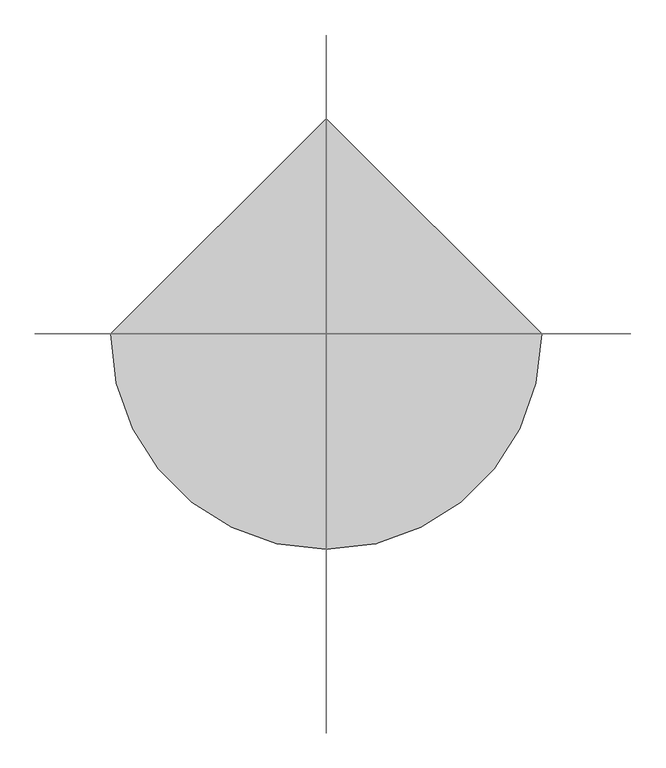
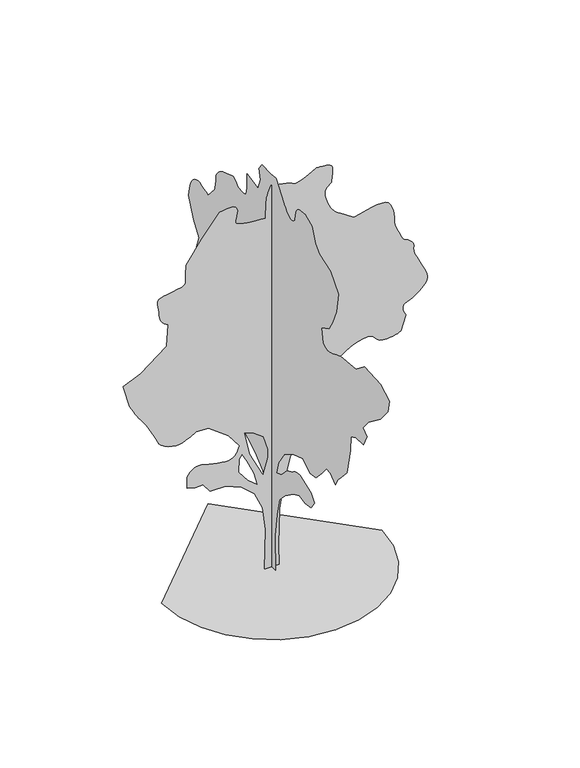
"""IFC4 building model written with IfcOpenShell, lengths in millimetres: geographic element geometry."""

from ifc_helpers import new_model, si_unit, origin, place, context, project, spatial, triangles, source, transform, mapped, element, save


def geographic_element_7aaeb41d(model_context):
    return source(origin(), model_context, "Body", "Tessellation", [
        triangles([(-0.0027587, 74.5725603, 0.00586), (-0.0027587, -72.0943095, 0.00586), (-0.0027587, -58.7610481, 393.3378007), (-0.0027587, -98.7608322, 653.338028), (-0.0027587, -145.4276149, 853.3381748), (-0.0027587, -252.0952047, 966.670792), (-0.0027587, -412.0928332, 1080.00588), (-0.0027587, -518.7604139, 1126.6709095), (-0.0027587, -625.428031, 1106.6708948), (-0.0027587, -738.7605755, 1126.6709095), (-0.0027587, -798.7606195, 1213.3385118), (-0.0027587, -738.7605755, 1293.3384979), (-0.0027587, -525.4279212, 1366.6710857), (-0.0027587, -506.885412, 1365.1761189), (-0.0027587, -488.5178922, 1363.2711479), (-0.0027587, -470.5003873, 1360.5486397), (-0.0027587, -453.0078504, 1356.6035316), (-0.0027587, -436.2153434, 1351.0261105), (-0.0027587, -420.2953485, 1343.4060814), (-0.0027587, -405.4278331, 1333.3385273), (-0.0027587, -390.5578105, 1322.4935497), (-0.0027587, -374.6402864, 1312.6960373), (-0.0027587, -357.8477795, 1303.7760876), (-0.0027587, -340.3552789, 1295.553479), (-0.0027587, -322.337774, 1287.8585999), (-0.0027587, -303.9702541, 1280.5110832), (-0.0027587, -285.4277268, 1273.3385559), (-0.0027587, -185.427399, 1166.6709389), (-0.0027587, -85.4275708, 1126.6709095), (-0.0027587, -125.4276002, 1266.671085), (-0.0027587, -238.7606988, 1433.3386734), (-0.0027587, -398.7603258, 1533.3386742), (-0.0027587, -585.4279653, 1593.3387909), (-0.0027587, -718.7605608, 1506.6712612), (-0.0027587, -825.4281778, 1520.0062031), (-0.0027587, -938.7607224, 1640.0038204), (-0.0027587, -1025.4283247, 1746.6714375), (-0.0027587, -1105.4259127, 1740.0039665), (-0.0027587, -1192.0934423, 1660.0063786), (-0.0027587, -1245.4260155, 1753.3389084), (-0.0027587, -1305.4259869, 1820.0040253), (-0.0027587, -1412.0936039, 1933.3391132), (-0.0027587, -1478.7587208, 2233.3392609), (-0.0027587, -1485.4261917, 2393.3393784), (-0.0027587, -1578.7613377, 2433.336937), (-0.0027587, -1725.426368, 2446.6718788), (-0.0027587, -1785.4264847, 2573.3269386), (-0.0027587, -1712.0938969, 2633.3270554), (-0.0027587, -1812.0938976, 2753.3272888), (-0.0027587, -2038.759132, 2926.6774635), (-0.0027587, -2185.4267784, 3100.0026398), (-0.0027587, -2212.0917206, 3240.0025246), (-0.0027587, -2045.4266029, 3333.3276421), (-0.0027587, -1738.758839, 3346.6776993), (-0.0027587, -1585.4263378, 3226.6774658), (-0.0027587, -1292.0935158, 3193.3274666), (-0.0027587, -1252.2485641, 3177.7025482), (-0.0027587, -1213.3385118, 3162.6025978), (-0.0027587, -1176.2909185, 3148.5525833), (-0.0027587, -1142.0459158, 3136.0774727), (-0.0027587, -1111.5309179, 3125.7025246), (-0.0027587, -1085.6808969, 3117.9524162), (-0.0027587, -1065.4258833, 3113.3274078), (-0.0027587, -1047.2933418, 3113.0774231), (-0.0027587, -1028.108321, 3117.0274727), (-0.0027587, -1009.2758223, 3123.6526497), (-0.0027587, -992.1908186, 3131.4524643), (-0.0027587, -978.255768, 3138.9025909), (-0.0027587, -968.8682596, 3144.4775414), (-0.0027587, -965.4258099, 3146.6774071), (-0.0027587, -932.0932514, 3306.6778152), (-0.0027587, -1072.0933542, 3380.0027), (-0.0027587, -1138.7609419, 3486.6778748), (-0.0027587, -1212.093457, 3660.003051), (-0.0027587, -1252.0934864, 3880.0029945), (-0.0027587, -1098.7609125, 4053.3281708), (-0.0027587, -898.760693, 4126.6783447), (-0.0027587, -818.7606342, 4200.0035202), (-0.0027587, -758.7605902, 4360.0036377), (-0.0027587, -618.7604874, 4413.3285805), (-0.0027587, -595.9604982, 4413.2285866), (-0.0027587, -573.5129585, 4412.5536278), (-0.0027587, -551.7629416, 4410.70345), (-0.0027587, -531.0629333, 4407.1286682), (-0.0027587, -511.7629123, 4401.17845), (-0.0027587, -494.2128934, 4392.3534073), (-0.0027587, -478.7603846, 4380.0035797), (-0.0027587, -466.2228868, 4364.5536507), (-0.0027587, -456.8353784, 4347.0035591), (-0.0027587, -450.0728551, 4327.7035744), (-0.0027587, -445.4078419, 4307.0033844), (-0.0027587, -442.3178415, 4285.2535492), (-0.0027587, -440.2753427, 4262.803466), (-0.0027587, -438.7603552, 4240.0034042), (-0.0027587, -427.2553525, 4227.3033073), (-0.0027587, -415.2803204, 4215.6034401), (-0.0027587, -402.3753304, 4205.9034508), (-0.0027587, -388.070317, 4199.1532814), (-0.0027587, -371.9003011, 4196.3784508), (-0.0027587, -353.3952896, 4198.553318), (-0.0027587, -332.0927745, 4206.6784035), (-0.0027587, -310.9852693, 4218.4782646), (-0.0027587, -293.0277353, 4231.0033722), (-0.0027587, -277.6927156, 4244.1034447), (-0.0027587, -264.4552061, 4257.6784882), (-0.0027587, -252.7927094, 4271.5785118), (-0.0027587, -242.1814384, 4285.7285202), (-0.0027587, -232.0939364, 4300.003521), (-0.0027587, -138.7608616, 4426.6786377), (-0.0027587, -78.7608175, 4500.0035225), (-0.0027587, 21.2393172, 4493.3286392), (-0.0027587, 181.2391554, 4500.0035225), (-0.0027587, 241.2389451, 4420.0034637), (-0.0027587, 214.5724224, 4306.6784042), (-0.0027587, 261.2402133, 4180.0032875), (-0.0027587, 467.9053785, 4220.0034622), (-0.0027587, 467.9053785, 4073.3284035), (-0.0027587, 469.4403866, 4050.6283356), (-0.0027587, 471.6178699, 4028.7032204), (-0.0027587, 475.0778695, 4008.4282951), (-0.0027587, 480.4628969, 3990.6282188), (-0.0027587, 488.4103769, 3976.0532364), (-0.0027587, 499.5679081, 3965.5782944), (-0.0027587, 514.5729152, 3960.0030533), (-0.0027587, 531.7154371, 3957.9281799), (-0.0027587, 548.8579591, 3957.2532211), (-0.0027587, 566.0004447, 3957.7281921), (-0.0027587, 583.1429667, 3959.1531052), (-0.0027587, 600.2854886, 3961.2782661), (-0.0027587, 617.4304813, 3963.853109), (-0.0027587, 634.5730396, 3966.6782272), (-0.0027587, 650.2955538, 3982.2281502), (-0.0027587, 666.0780207, 3996.928125), (-0.0027587, 681.9780676, 4009.8782066), (-0.0027587, 698.0505604, 4020.2031578), (-0.0027587, 714.3580679, 4027.0283226), (-0.0027587, 730.9580721, 4029.4781731), (-0.0027587, 747.9055841, 4026.678344), (-0.0027587, 927.9057163, 3966.6782272), (-0.0027587, 953.4457998, 3949.4781143), (-0.0027587, 977.9358021, 3931.9283134), (-0.0027587, 1000.3257872, 3913.6782646), (-0.0027587, 1019.5682899, 3894.3782799), (-0.0027587, 1034.6108311, 3873.6780899), (-0.0027587, 1044.4058727, 3851.2280067), (-0.0027587, 1047.9058771, 3826.6780518), (-0.0027587, 1048.6833733, 3801.5281334), (-0.0027587, 1050.8608566, 3777.4531494), (-0.0027587, 1054.2033852, 3754.253112), (-0.0027587, 1058.4783422, 3731.7530319), (-0.0027587, 1063.4533293, 3709.7529213), (-0.0027587, 1068.895875, 3688.1280785), (-0.0027587, 1074.570892, 3666.6779343), (-0.0027587, 1201.238451, 3526.6777588), (-0.0027587, 1239.7609543, 3543.5528915), (-0.0027587, 1277.9935043, 3558.9278252), (-0.0027587, 1315.641061, 3571.2779434), (-0.0027587, 1352.4135258, 3579.077758), (-0.0027587, 1388.0210907, 3580.8029434), (-0.0027587, 1422.1711864, 3574.9530098), (-0.0027587, 1454.5712437, 3560.0027596), (-0.0027587, 1482.6961258, 3536.9027161), (-0.0027587, 1504.8736965, 3508.1777252), (-0.0027587, 1522.093721, 3474.8027275), (-0.0027587, 1535.3487259, 3437.7026665), (-0.0027587, 1545.6312378, 3397.8027763), (-0.0027587, 1553.9313126, 3356.02771), (-0.0027587, 1561.2387154, 3313.3277), (-0.0027587, 1474.5711857, 3086.677581), (-0.0027587, 1367.9060394, 2940.0022316), (-0.0027587, 1454.5712437, 2700.0020554), (-0.0027587, 1374.5710396, 2573.3269386), (-0.0027587, 1341.9185268, 2561.8270592), (-0.0027587, 1310.4910847, 2549.851918), (-0.0027587, 1281.5110222, 2536.952124), (-0.0027587, 1256.2035553, 2522.6521248), (-0.0027587, 1235.7959347, 2506.4769493), (-0.0027587, 1221.5110508, 2487.9745903), (-0.0027587, 1214.5709948, 2466.6721115), (-0.0027587, 1212.2984591, 2444.0095413), (-0.0027587, 1211.0734612, 2421.694479), (-0.0027587, 1210.7234825, 2399.6744568), (-0.0027587, 1211.0734612, 2377.8869785), (-0.0027587, 1211.9484804, 2356.2718735), (-0.0027587, 1213.1734783, 2334.7768192), (-0.0027587, 1214.5709948, 2313.3368488), (-0.0027587, 1187.9059799, 2206.6718479), (-0.0027587, 1001.2383041, 2226.6717899), (-0.0027587, 985.728277, 2195.3792233), (-0.0027587, 971.4433205, 2164.9017231), (-0.0027587, 959.6057436, 2136.0592976), (-0.0027587, 951.4432331, 2109.6642517), (-0.0027587, 948.1782434, 2086.536739), (-0.0027587, 951.0357725, 2067.486739), (-0.0027587, 961.2382748, 2053.3392014), (-0.0027587, 977.7782536, 2041.5992203), (-0.0027587, 998.0507807, 2029.6266953), (-0.0027587, 1020.8883402, 2018.0041489), (-0.0027587, 1045.1258142, 2007.3141037), (-0.0027587, 1069.5958323, 1998.1390823), (-0.0027587, 1093.133349, 1991.0640781), (-0.0027587, 1114.5709213, 1986.6716137), (-0.0027587, 1133.9884134, 1982.8416149), (-0.0027587, 1152.3558969, 1977.2640484), (-0.0027587, 1169.8484339, 1970.229158), (-0.0027587, 1186.6409409, 1962.0266064), (-0.0027587, 1202.9109507, 1952.9491081), (-0.0027587, 1218.828511, 1943.2890873), (-0.0027587, 1234.5710094, 1933.3391132), (-0.0027587, 1387.9061268, 2013.339172), (-0.0027587, 1431.9861397, 2024.5916828), (-0.0027587, 1474.8436981, 2034.7965832), (-0.0027587, 1515.2512608, 2042.9016117), (-0.0027587, 1551.9862278, 2047.8566872), (-0.0027587, 1583.8238194, 2048.6141991), (-0.0027587, 1609.5388195, 2044.1266823), (-0.0027587, 1627.9038322, 2033.339114), (-0.0027587, 1640.0538174, 2017.6916679), (-0.0027587, 1648.351276, 1999.5965515), (-0.0027587, 1653.4438431, 1979.4615887), (-0.0027587, 1655.9713051, 1957.6915512), (-0.0027587, 1656.5738846, 1934.6990593), (-0.0027587, 1655.8938389, 1910.8890301), (-0.0027587, 1654.5713905, 1886.6714676), (-0.0027587, 1631.6563648, 1862.5890713), (-0.0027587, 1608.3913605, 1839.7339256), (-0.0027587, 1584.4262535, 1819.3239796), (-0.0027587, 1559.4112106, 1802.5889545), (-0.0027587, 1532.9962532, 1790.7539211), (-0.0027587, 1504.833728, 1785.0390083), (-0.0027587, 1474.5711857, 1786.6714668), (-0.0027587, 1442.5211071, 1793.7065025), (-0.0027587, 1410.0036152, 1802.1439236), (-0.0027587, 1378.1860806, 1810.1114605), (-0.0027587, 1348.2360191, 1815.7489071), (-0.0027587, 1321.3160053, 1817.1864647), (-0.0027587, 1298.5960258, 1812.5614563), (-0.0027587, 1281.2385098, 1800.0039379), (-0.0027587, 1268.1185257, 1783.8339947), (-0.0027587, 1257.0985588, 1769.4114738), (-0.0027587, 1247.8260143, 1756.448893), (-0.0027587, 1239.9560005, 1744.6513573), (-0.0027587, 1233.1334518, 1733.7264427), (-0.0027587, 1227.0110058, 1723.3863762), (-0.0027587, 1221.2385384, 1713.338879), (-0.0027587, 1243.9585178, 1710.3264175), (-0.0027587, 1265.8635761, 1706.3813095), (-0.0027587, 1286.1360306, 1700.5688736), (-0.0027587, 1303.9584892, 1691.958934), (-0.0027587, 1318.5160309, 1679.6163734), (-0.0027587, 1328.993589, 1662.608836), (-0.0027587, 1334.5710102, 1640.0038204), (-0.0027587, 1336.8460167, 1613.5138676), (-0.0027587, 1338.0710873, 1585.6212387), (-0.0027587, 1338.4210659, 1556.56371), (-0.0027587, 1338.0710873, 1526.5736801), (-0.0027587, 1337.1961407, 1495.8836929), (-0.0027587, 1335.9710701, 1464.7286179), (-0.0027587, 1334.5710102, 1433.3386734), (-0.0027587, 1300.3260075, 1407.8185741), (-0.0027587, 1266.3110779, 1383.4636654), (-0.0027587, 1232.7635616, 1361.4436432), (-0.0027587, 1199.9160027, 1342.9210819), (-0.0027587, 1168.0034157, 1329.0636429), (-0.0027587, 1137.2534031, 1321.0360806), (-0.0027587, 1107.9059212, 1320.0060562), (-0.0027587, 1078.5558958, 1323.638538), (-0.0027587, 1047.808354, 1328.6735504), (-0.0027587, 1015.8932962, 1334.873608), (-0.0027587, 983.0458099, 1342.0060215), (-0.0027587, 949.4982937, 1349.8411537), (-0.0027587, 915.4857622, 1358.1386124), (-0.0027587, 881.238216, 1366.6710857), (-0.0027587, 681.2380692, 1320.0060562), (-0.0027587, 447.9053638, 1200.0059681), (-0.0027587, 314.5727683, 1126.6709095), (-0.0027587, 161.2391225, 1000.0058212), (-0.0027587, 67.905807, 806.6731453), (-0.0027587, 41.2392842, 533.3379398), (-0.0027587, 67.905807, 260.0052052), (78.9470616, 0.0002511, 0.0), (-81.0528197, 0.0002511, 0.0), (-67.7195538, 0.0002197, 453.3328669), (-101.05258, 0.0001988, 713.3330578), (-187.7194103, 0.0001884, 899.9982628), (-327.7202579, 0.0001884, 1026.6658218), (-501.0529192, 0.0001779, 1099.9984097), (-667.7180368, 0.0001779, 1099.9984097), (-747.720639, 0.0001779, 1199.9984831), (-834.3856979, 0.0001779, 1199.9984831), (-921.0532276, 0.0001779, 1219.9984978), (-921.0532276, 0.0001674, 1346.6660568), (-903.7932346, 0.0001674, 1369.3085701), (-885.8332117, 0.0001674, 1390.6686035), (-866.4756723, 0.000157, 1409.4636772), (-845.0181885, 0.000157, 1424.411166), (-820.7606575, 0.000157, 1434.2261192), (-793.0056656, 0.000157, 1437.6286732), (-761.0531101, 0.000157, 1433.3335865), (-723.1130568, 0.000157, 1423.7311203), (-679.5755253, 0.000157, 1412.8461742), (-633.0054754, 0.0001674, 1401.8461189), (-585.970483, 0.0001674, 1391.8936741), (-541.032928, 0.0001674, 1384.1586811), (-500.7604225, 0.0001674, 1379.803569), (-467.71789, 0.0001674, 1379.9986153), (-441.4803563, 0.0001674, 1385.9661289), (-419.4403499, 0.0001674, 1397.5311207), (-400.8978407, 0.000157, 1413.7610893), (-385.1527988, 0.000157, 1433.7212082), (-371.5103176, 0.000157, 1456.4811562), (-359.2652802, 0.000157, 1481.1062519), (-347.7202726, 0.000157, 1506.6661743), (-467.71789, 0.0001465, 1666.6662918), (-687.7180515, 0.000136, 1826.6664093), (-821.0531542, 0.000136, 1833.3314095), (-842.5681927, 0.000136, 1820.5039948), (-864.6081991, 0.000136, 1807.851424), (-887.7006849, 0.000136, 1795.5489773), (-912.3632057, 0.000136, 1783.7688824), (-939.1282871, 0.000136, 1772.6913609), (-968.5158102, 0.000136, 1762.4864605), (-1001.0532864, 0.0001465, 1753.3313507), (-1038.4858126, 0.0001465, 1750.1639568), (-1080.1183731, 0.0001465, 1756.5589153), (-1122.8009422, 0.000136, 1770.6488983), (-1163.385965, 0.000136, 1790.5713741), (-1198.7209448, 0.000136, 1814.4590149), (-1225.6584721, 0.000136, 1840.4465275), (-1241.0509918, 0.000136, 1866.6664387), (-1254.4834568, 0.000136, 1899.3565945), (-1275.8434902, 0.0001256, 1942.8940533), (-1302.4510231, 0.0001256, 1992.6141289), (-1331.6261318, 0.0001256, 2043.8466122), (-1360.6836605, 0.0001256, 2091.9317585), (-1386.9410694, 0.0001151, 2132.204155), (-1407.7185802, 0.0001151, 2159.9992607), (-1425.2510857, 0.0001151, 2182.1367176), (-1443.4812229, 0.0001151, 2208.1242302), (-1462.2962082, 0.0001151, 2237.3167797), (-1481.576136, 0.0001151, 2269.0742889), (-1501.2061878, 0.0001046, 2302.7592968), (-1521.0712543, 0.0001046, 2337.7244591), (-1541.0512848, 0.0001046, 2373.3318787), (-1614.3863434, 9.42e-05, 2626.6771706), (-1421.0511967, 8.37e-05, 2706.6772293), (-1141.0533892, 7.32e-05, 2926.6774635), (-1127.7183746, 5.23e-05, 3166.6526413), (-1147.5834412, 5.23e-05, 3181.0776329), (-1166.6309704, 5.23e-05, 3196.1775833), (-1184.0459684, 5.23e-05, 3212.677739), (-1199.0109707, 5.23e-05, 3231.2774757), (-1210.7109833, 5.23e-05, 3252.677623), (-1218.3310123, 5.23e-05, 3277.5775566), (-1221.0535206, 5.23e-05, 3306.6525261), (-1223.4635479, 4.19e-05, 3339.402562), (-1228.9034775, 4.19e-05, 3373.552803), (-1234.6960018, 4.19e-05, 3407.2527809), (-1238.155965, 4.19e-05, 3438.6029022), (-1236.6009727, 4.19e-05, 3465.7526985), (-1227.3484852, 4.19e-05, 3486.8278656), (-1207.7185061, 4.19e-05, 3500.0029335), (-1173.335939, 4.19e-05, 3508.2777191), (-1126.1258846, 3.14e-05, 3516.4528015), (-1072.8508661, 3.14e-05, 3525.1778503), (-1020.2758049, 3.14e-05, 3535.2278183), (-975.1632969, 3.14e-05, 3547.2279579), (-944.2782635, 3.14e-05, 3561.9279327), (-934.3857714, 3.14e-05, 3580.0029922), (-936.4657316, 3.14e-05, 3601.7528275), (-937.1457773, 3.14e-05, 3626.6530518), (-936.6582344, 3.14e-05, 3654.1778252), (-935.2407337, 3.14e-05, 3683.7780533), (-933.1232758, 2.09e-05, 3714.9778931), (-930.5382591, 2.09e-05, 3747.2279594), (-927.7182278, 2.09e-05, 3780.0029938), (-761.0531101, 1.05e-05, 4020.00317), (-567.7204705, -1.05e-05, 4260.0033463), (-526.5729095, -1.05e-05, 4266.8535095), (-487.1179049, -1.05e-05, 4272.0284843), (-451.042854, -1.05e-05, 4273.8283745), (-420.0428567, -1.05e-05, 4270.5285759), (-395.80531, -1.05e-05, 4260.4783173), (-380.0228067, -1.05e-05, 4241.9782837), (-374.3852875, 0.0, 4213.3282883), (-377.165314, 0.0, 4181.0535141), (-383.5603088, 0.0, 4152.6032158), (-390.6553336, 0.0, 4127.8032761), (-395.5328339, 0.0, 4106.3534225), (-395.2803057, 0.0, 4088.0533768), (-386.9803036, 0.0, 4072.6781525), (-367.7202873, 0.0, 4060.0033447), (-338.5077899, 0.0, 4049.7283905), (-302.995241, 0.0, 4041.5783066), (-262.2377179, 1.05e-05, 4035.1531174), (-217.282177, 1.05e-05, 4030.1531319), (-169.1771373, 1.05e-05, 4026.1783745), (-118.9730978, 1.05e-05, 4022.9032837), (-67.7195538, 1.05e-05, 4020.00317), (-61.0525507, 0.0, 4200.0035202), (-59.4975493, -1.05e-05, 4225.5284157), (-55.1437952, -1.05e-05, 4250.678334), (-48.4577889, -1.05e-05, 4275.5535599), (-39.9057809, -1.05e-05, 4300.2035088), (-29.954274, -1.05e-05, 4324.6784683), (-19.070066, -1.05e-05, 4349.0284355), (-7.719256, -1.05e-05, 4373.3284058), (37.7812808, -1.05e-05, 4364.72864), (81.9990646, -1.05e-05, 4356.0285896), (123.6511007, -1.05e-05, 4347.103553), (161.4548797, -1.05e-05, 4337.8035393), (194.127413, -1.05e-05, 4328.053553), (220.3859302, -1.05e-05, 4317.7036034), (238.9474425, -1.05e-05, 4306.6534058), (263.1077047, -1.05e-05, 4303.4286026), (302.4252358, -1.05e-05, 4313.503569), (350.0252918, -1.05e-05, 4332.2035904), (399.0253169, -1.05e-05, 4354.8786598), (442.5428641, -1.05e-05, 4376.8284828), (473.6978665, -2.09e-05, 4393.4286324), (485.6129096, -2.09e-05, 4400.0035217), (495.2154121, -2.09e-05, 4400.2035095), (519.9779268, -2.09e-05, 4399.9285263), (553.8354532, -2.09e-05, 4397.9036499), (590.7254617, -2.09e-05, 4392.8536674), (624.5830244, -1.05e-05, 4383.4786583), (649.3455391, -1.05e-05, 4368.5034096), (658.9480053, -1.05e-05, 4346.6535805), (658.5580582, -1.05e-05, 4321.3283821), (657.4705519, -1.05e-05, 4296.7034317), (655.7980522, -1.05e-05, 4272.6784447), (653.6605373, -1.05e-05, 4249.1034302), (651.1730438, -1.05e-05, 4225.8783943), (648.4505356, 0.0, 4202.8783447), (645.6129908, 0.0, 4180.0032875), (628.6255102, 0.0, 4167.0034996), (612.5730017, 0.0, 4153.2784653), (598.3829885, 0.0, 4138.0032349), (586.992986, 0.0, 4120.4784325), (579.3354592, 0.0, 4099.9282333), (576.342982, 0.0, 4075.5782661), (578.9479829, 0.0, 4046.6532875), (586.2154899, 1.05e-05, 4014.6032089), (596.2829713, 1.05e-05, 3981.953167), (608.6854846, 1.05e-05, 3949.7530975), (622.9504932, 1.05e-05, 3919.0782257), (638.6155254, 1.05e-05, 3890.9781967), (655.2155296, 1.05e-05, 3866.4782387), (672.280549, 2.09e-05, 3846.6529953), (692.3380457, 2.09e-05, 3828.553228), (717.6455853, 2.09e-05, 3808.6779877), (747.3231342, 2.09e-05, 3787.3531265), (780.5031584, 2.09e-05, 3764.8780449), (816.3031534, 2.09e-05, 3741.5030182), (853.853187, 2.09e-05, 3717.5780251), (892.2807106, 2.09e-05, 3693.3280518), (959.140801, 2.09e-05, 3711.6280975), (1024.3108057, 2.09e-05, 3728.2279564), (1086.098386, 2.09e-05, 3741.4280228), (1142.8159269, 2.09e-05, 3749.5781067), (1192.7659304, 2.09e-05, 3750.9530228), (1234.2634701, 2.09e-05, 3743.8781639), (1265.6135914, 2.09e-05, 3726.6530525), (1288.19855, 2.09e-05, 3698.6530174), (1305.0685959, 3.14e-05, 3662.6028923), (1317.0411209, 3.14e-05, 3621.8780525), (1324.9335171, 3.14e-05, 3579.8779999), (1329.5585255, 3.14e-05, 3539.9778191), (1331.7360088, 4.19e-05, 3505.5528854), (1332.2810337, 4.19e-05, 3480.0027008), (1337.451067, 4.19e-05, 3452.7529106), (1350.7835381, 4.19e-05, 3414.6526199), (1369.0136753, 4.19e-05, 3371.2026558), (1388.8785965, 5.23e-05, 3327.8526855), (1407.1112045, 5.23e-05, 3290.1026642), (1420.4436756, 5.23e-05, 3263.4275482), (1425.6137089, 5.23e-05, 3253.3275833), (1432.59119, 5.23e-05, 3250.5527527), (1450.4136486, 5.23e-05, 3242.5276611), (1474.4187241, 5.23e-05, 3229.7275703), (1499.938678, 5.23e-05, 3212.6024529), (1522.3086788, 5.23e-05, 3191.6275703), (1536.8662205, 5.23e-05, 3167.2776031), (1538.9461807, 6.28e-05, 3140.0025238), (1536.3412525, 6.28e-05, 3112.1024826), (1539.3362732, 6.28e-05, 3085.0273911), (1546.9938, 6.28e-05, 3057.9525902), (1558.3838024, 6.28e-05, 3030.0775475), (1572.5713085, 6.28e-05, 3000.5523148), (1588.6262878, 7.32e-05, 2968.5775223), (1605.6137684, 7.32e-05, 2933.3273483), (1625.0112762, 7.32e-05, 2895.102356), (1646.5088013, 7.32e-05, 2855.2271736), (1666.4888317, 7.32e-05, 2814.5523308), (1681.3363266, 8.37e-05, 2773.8771973), (1687.4413319, 8.37e-05, 2734.0023056), (1681.1813942, 8.37e-05, 2695.7773132), (1658.9462688, 8.37e-05, 2660.0021713), (1628.9963528, 9.42e-05, 2628.8270393), (1601.3762363, 9.42e-05, 2603.2521469), (1575.1563251, 9.42e-05, 2582.3269707), (1549.4036819, 9.42e-05, 2565.1521469), (1523.1837708, 9.42e-05, 2550.7771523), (1495.5662704, 9.42e-05, 2538.2520447), (1465.6137383, 9.42e-05, 2526.6771698), (1440.211219, 9.42e-05, 2513.3021141), (1425.6512066, 9.42e-05, 2496.4220398), (1420.1311947, 9.42e-05, 2476.6369102), (1421.8435902, 0.0001046, 2454.5170395), (1428.976149, 0.0001046, 2430.6494556), (1439.7236034, 0.0001046, 2405.616972), (1452.2811218, 0.0001046, 2379.9993496), (1398.9461506, 0.0001151, 2213.3317612), (1380.1910454, 0.0001151, 2204.8392563), (1360.3261242, 0.0001151, 2196.8118393), (1338.2460766, 0.0001151, 2189.7167782), (1312.8435574, 0.0001151, 2184.021777), (1283.0086052, 0.0001151, 2180.194249), (1247.6334389, 0.0001151, 2178.6968113), (1205.6134747, 0.0001151, 2179.9992027), (1167.8684675, 0.0001151, 2188.6467854), (1142.0184465, 0.0001151, 2205.9268353), (1121.9983749, 0.0001151, 2227.4043034), (1101.7459047, 0.0001151, 2248.6467567), (1075.1958538, 0.0001151, 2265.2268494), (1036.2833307, 0.0001151, 2272.7093868), (978.9457695, 0.0001151, 2266.6642616), (912.6507608, 0.0001151, 2247.8318356), (851.8331795, 0.0001151, 2221.3017689), (797.8981722, 0.0001151, 2189.1717533), (752.2406393, 0.0001151, 2153.5467476), (716.2655823, 0.0001151, 2116.5192112), (691.365576, 0.0001256, 2080.1942482), (678.94802, 0.0001256, 2046.6666435), (678.6755802, 0.0001256, 2016.7915775), (688.1980368, 0.0001256, 1989.7166313), (705.8855473, 0.0001256, 1964.9741009), (730.1031097, 0.0001256, 1942.0990437), (759.2181204, 0.000136, 1920.6215755), (791.6006641, 0.000136, 1900.0764633), (825.6131956, 0.000136, 1879.9990551), (845.4582052, 0.000136, 1867.0540604), (864.3707136, 0.000136, 1853.5839523), (881.4156761, 0.000136, 1839.0665245), (895.6632076, 0.000136, 1822.9739021), (906.1782635, 0.000136, 1804.7814079), (912.0282698, 0.000136, 1783.9639286), (912.2807253, 0.000136, 1759.998967), (909.6182425, 0.0001465, 1730.7863605), (907.3057383, 0.0001465, 1695.2763187), (905.28326, 0.0001465, 1654.5187775), (903.4957237, 0.0001465, 1609.5613472), (901.880706, 0.000157, 1561.4562893), (900.3857391, 0.000157, 1511.253685), (898.9457108, 0.000157, 1459.998674), (864.6231691, 0.000157, 1434.5760979), (830.0656855, 0.000157, 1410.9037056), (795.0406431, 0.0001674, 1390.7286289), (759.3156435, 0.0001674, 1375.8010517), (722.6606134, 0.0001674, 1367.8711578), (684.835524, 0.0001674, 1368.686079), (645.6129908, 0.0001674, 1379.9986153), (606.1979911, 0.0001674, 1395.0036587), (567.8304565, 0.0001674, 1406.1611172), (530.3354342, 0.000157, 1414.1112133), (493.5429125, 0.000157, 1419.4935883), (457.2753588, 0.000157, 1422.9536968), (421.3578564, 0.000157, 1425.1311802), (385.6127998, 0.000157, 1426.6661156), (272.280219, 0.0001674, 1353.3335278), (198.9474132, 0.0001779, 1186.6659393), (125.6138534, 0.0001884, 906.6657337), (85.6140693, 0.0002093, 633.332999), (72.2805581, 0.0002302, 233.3331958), (-94.386072, 8.37e-05, 1079.998395), (-41.0527812, 7.32e-05, 1266.6659981), (-41.0527812, 6.28e-05, 1359.9985279), (-87.7190734, 5.23e-05, 1519.9987907), (-207.7189163, 5.23e-05, 1606.6663204), (-301.052736, 5.23e-05, 1639.9988789), (-241.0526919, 6.28e-05, 1373.3336151), (-154.3856164, 6.28e-05, 993.3333361), (-194.385664, 6.28e-05, 1139.998439), (-267.7202139, 5.23e-05, 1299.9985565), (-321.0527507, 4.19e-05, 1399.9987026), (-354.3852728, 4.19e-05, 1353.3335278), (-361.0527801, 5.23e-05, 1206.665954), (-261.0527066, 6.28e-05, 1079.998395), (-1193.8159389, 0.0, 0.0045206), (-1162.2559467, -273.5427146, 0.0045206), (-1072.3708809, -524.7504189, 0.0045206), (-931.360738, -746.420573, 0.0045206), (-746.420573, -931.360738, 0.0045206), (-524.7504189, -1072.3708809, 0.0045206), (-273.5427146, -1162.2559467, 0.0045206), (5.22e-05, -1193.8159389, 0.0045206), (273.5427146, -1162.2559467, 0.0045206), (524.7504189, -1072.3708809, 0.0045206), (746.420573, -931.360738, 0.0045206), (931.360738, -746.420573, 0.0045206), (1072.3708809, -524.7504189, 0.0045206), (1162.2559467, -273.5427146, 0.0045206), (1193.8159389, 0.0001046, 0.0045206), (-0.0001566, 1193.8159389, 0.0045206)], [[38, 39, 40], [115, 116, 117], [1, 2, 3], [280, 1, 3], [279, 280, 3], [279, 3, 4], [278, 279, 4], [278, 4, 5], [186, 187, 188], [277, 278, 5], [46, 47, 48], [45, 46, 48], [277, 5, 6], [185, 186, 188], [10, 11, 12], [9, 10, 12], [9, 12, 13], [8, 9, 13], [8, 13, 14], [8, 14, 15], [8, 15, 16], [8, 16, 17], [8, 17, 18], [8, 18, 19], [8, 19, 20], [8, 20, 21], [7, 8, 21], [7, 21, 22], [7, 22, 23], [7, 23, 24], [7, 24, 25], [7, 25, 26], [6, 7, 26], [6, 26, 27], [6, 27, 28], [277, 6, 28], [277, 28, 29], [51, 52, 53], [50, 51, 53], [50, 53, 54], [50, 54, 55], [49, 50, 55], [49, 55, 56], [48, 49, 56], [48, 56, 57], [45, 48, 57], [44, 45, 57], [44, 57, 58], [44, 58, 59], [44, 59, 60], [44, 60, 61], [44, 61, 62], [44, 62, 63], [276, 277, 29], [276, 29, 30], [184, 185, 188], [183, 184, 188], [44, 63, 64], [115, 117, 118], [111, 112, 113], [111, 113, 114], [182, 183, 188], [109, 110, 111], [109, 111, 114], [108, 109, 114], [108, 114, 115], [107, 108, 115], [106, 107, 115], [105, 106, 115], [104, 105, 115], [115, 118, 119], [170, 171, 172], [170, 172, 173], [170, 173, 174], [170, 174, 175], [74, 75, 76], [74, 76, 77], [73, 74, 77], [72, 73, 77], [71, 72, 77], [258, 259, 260], [181, 182, 188], [78, 79, 80], [170, 175, 176], [103, 104, 115], [78, 80, 81], [44, 64, 65], [275, 276, 30], [275, 30, 31], [274, 275, 31], [78, 81, 82], [78, 82, 83], [78, 83, 84], [78, 84, 85], [78, 85, 86], [78, 86, 87], [78, 87, 88], [78, 88, 89], [78, 89, 90], [78, 90, 91], [78, 91, 92], [78, 92, 93], [78, 93, 94], [78, 94, 95], [78, 95, 96], [71, 77, 78], [71, 78, 96], [71, 96, 97], [71, 97, 98], [71, 98, 99], [71, 99, 100], [115, 119, 120], [180, 181, 188], [38, 40, 41], [223, 224, 225], [33, 34, 35], [33, 35, 36], [33, 36, 37], [102, 103, 115], [179, 180, 188], [44, 65, 66], [170, 176, 177], [71, 100, 101], [43, 44, 66], [42, 43, 66], [41, 42, 66], [38, 41, 66], [37, 38, 66], [33, 37, 66], [33, 66, 67], [33, 67, 68], [33, 68, 69], [33, 69, 70], [32, 33, 70], [31, 32, 70], [274, 31, 70], [273, 274, 70], [273, 70, 71], [273, 71, 101], [273, 101, 102], [273, 102, 115], [273, 115, 120], [273, 120, 121], [273, 121, 122], [273, 122, 123], [273, 123, 124], [273, 124, 125], [273, 125, 126], [273, 126, 127], [273, 127, 128], [273, 128, 129], [273, 129, 130], [273, 130, 131], [272, 273, 131], [271, 272, 131], [270, 271, 131], [269, 270, 131], [268, 269, 131], [268, 131, 132], [268, 132, 133], [268, 133, 134], [167, 168, 169], [257, 258, 260], [257, 260, 261], [256, 257, 261], [256, 261, 262], [255, 256, 262], [255, 262, 263], [254, 255, 263], [254, 263, 264], [254, 264, 265], [254, 265, 266], [254, 266, 267], [254, 267, 268], [253, 254, 268], [252, 253, 268], [251, 252, 268], [250, 251, 268], [249, 250, 268], [248, 249, 268], [247, 248, 268], [246, 247, 268], [245, 246, 268], [166, 167, 169], [165, 166, 169], [164, 165, 169], [163, 164, 169], [162, 163, 169], [161, 162, 169], [160, 161, 169], [159, 160, 169], [158, 159, 169], [157, 158, 169], [156, 157, 169], [155, 156, 169], [154, 155, 169], [154, 169, 170], [154, 170, 177], [153, 154, 177], [153, 177, 178], [153, 178, 179], [153, 179, 188], [222, 223, 225], [222, 225, 226], [221, 222, 226], [220, 221, 226], [219, 220, 226], [218, 219, 226], [217, 218, 226], [216, 217, 226], [215, 216, 226], [214, 215, 226], [213, 214, 226], [212, 213, 226], [212, 226, 227], [212, 227, 228], [212, 228, 229], [212, 229, 230], [212, 230, 231], [211, 212, 231], [211, 231, 232], [211, 232, 233], [210, 211, 233], [209, 210, 233], [209, 233, 234], [209, 234, 235], [209, 235, 236], [209, 236, 237], [209, 237, 238], [209, 238, 239], [209, 239, 240], [208, 209, 240], [208, 240, 241], [207, 208, 241], [206, 207, 241], [206, 241, 242], [205, 206, 242], [204, 205, 242], [204, 242, 243], [203, 204, 243], [202, 203, 243], [202, 243, 244], [201, 202, 244], [201, 244, 245], [201, 245, 268], [200, 201, 268], [199, 200, 268], [198, 199, 268], [197, 198, 268], [196, 197, 268], [195, 196, 268], [194, 195, 268], [153, 188, 189], [153, 189, 190], [152, 153, 190], [152, 190, 191], [151, 152, 191], [136, 137, 138], [135, 136, 138], [135, 138, 139], [134, 135, 139], [134, 139, 140], [134, 140, 141], [134, 141, 142], [134, 142, 143], [134, 143, 144], [134, 144, 145], [134, 145, 146], [134, 146, 147], [134, 147, 148], [134, 148, 149], [134, 149, 150], [134, 150, 151], [134, 151, 191], [134, 191, 192], [134, 192, 193], [268, 134, 193], [194, 268, 193], [583, 580, 581], [574, 281, 575], [580, 583, 584], [573, 574, 575], [583, 581, 575], [580, 584, 585], [572, 573, 575], [582, 583, 575], [582, 575, 281], [571, 572, 575], [571, 575, 576], [281, 282, 283], [570, 571, 576], [570, 576, 577], [344, 345, 346], [290, 291, 292], [406, 407, 408], [570, 577, 578], [290, 292, 293], [289, 290, 293], [289, 293, 294], [289, 294, 295], [289, 295, 296], [289, 296, 297], [289, 297, 298], [289, 298, 299], [289, 299, 300], [289, 300, 301], [289, 301, 302], [289, 302, 303], [288, 289, 303], [287, 288, 303], [287, 303, 304], [287, 304, 305], [287, 305, 306], [286, 287, 306], [286, 306, 307], [286, 307, 308], [286, 308, 309], [569, 570, 578], [554, 555, 556], [405, 406, 408], [343, 344, 346], [512, 513, 514], [511, 512, 514], [511, 514, 515], [511, 515, 516], [511, 516, 517], [510, 511, 517], [510, 517, 518], [510, 518, 519], [510, 519, 520], [510, 520, 521], [510, 521, 522], [510, 522, 523], [510, 523, 524], [509, 510, 524], [509, 524, 525], [508, 509, 525], [434, 435, 436], [342, 343, 346], [507, 508, 525], [507, 525, 526], [405, 408, 409], [404, 405, 409], [403, 404, 409], [403, 409, 410], [402, 403, 410], [401, 402, 410], [400, 401, 410], [400, 410, 411], [399, 400, 411], [399, 411, 412], [399, 412, 413], [399, 413, 414], [399, 414, 415], [377, 378, 379], [341, 342, 346], [341, 346, 347], [340, 341, 347], [339, 340, 347], [338, 339, 347], [337, 338, 347], [336, 337, 347], [335, 336, 347], [334, 335, 347], [333, 334, 347], [377, 379, 380], [377, 380, 381], [377, 381, 382], [377, 382, 383], [377, 383, 384], [377, 384, 385], [377, 385, 386], [377, 386, 387], [377, 387, 388], [377, 388, 389], [377, 389, 390], [377, 390, 391], [376, 377, 391], [376, 391, 392], [375, 376, 392], [374, 375, 392], [373, 374, 392], [372, 373, 392], [372, 392, 393], [371, 372, 393], [370, 371, 393], [369, 370, 393], [369, 393, 394], [369, 394, 395], [369, 395, 396], [332, 333, 347], [369, 396, 397], [426, 427, 428], [426, 428, 429], [425, 426, 429], [425, 429, 430], [424, 425, 430], [424, 430, 431], [423, 424, 431], [423, 431, 432], [422, 423, 432], [422, 432, 433], [421, 422, 433], [420, 421, 433], [419, 420, 433], [418, 419, 433], [418, 433, 434], [418, 434, 436], [418, 436, 437], [418, 437, 438], [418, 438, 439], [417, 418, 439], [417, 439, 440], [416, 417, 440], [416, 440, 441], [415, 416, 441], [399, 415, 441], [399, 441, 442], [399, 442, 443], [399, 443, 444], [399, 444, 445], [399, 445, 446], [399, 446, 447], [399, 447, 448], [399, 448, 449], [369, 397, 398], [331, 332, 347], [368, 369, 398], [360, 361, 362], [359, 360, 362], [359, 362, 363], [358, 359, 363], [358, 363, 364], [357, 358, 364], [357, 364, 365], [356, 357, 365], [355, 356, 365], [355, 365, 366], [354, 355, 366], [353, 354, 366], [352, 353, 366], [351, 352, 366], [350, 351, 366], [349, 350, 366], [348, 349, 366], [348, 366, 367], [348, 367, 368], [348, 368, 398], [347, 348, 398], [347, 398, 399], [347, 399, 449], [347, 449, 450], [347, 450, 451], [347, 451, 452], [331, 347, 452], [331, 452, 453], [331, 453, 454], [331, 454, 455], [331, 455, 456], [330, 331, 456], [329, 330, 456], [328, 329, 456], [327, 328, 456], [326, 327, 456], [325, 326, 456], [324, 325, 456], [323, 324, 456], [322, 323, 456], [321, 322, 456], [320, 321, 456], [319, 320, 456], [318, 319, 456], [317, 318, 456], [316, 317, 456], [315, 316, 456], [314, 315, 456], [314, 456, 457], [314, 457, 458], [314, 458, 459], [314, 459, 460], [314, 460, 461], [314, 461, 462], [314, 462, 463], [314, 463, 464], [314, 464, 465], [314, 465, 466], [314, 466, 467], [314, 467, 468], [314, 468, 469], [314, 469, 470], [314, 470, 471], [314, 471, 472], [314, 472, 473], [314, 473, 474], [314, 474, 475], [314, 475, 476], [314, 476, 477], [314, 477, 478], [314, 478, 479], [314, 479, 480], [314, 480, 481], [314, 481, 482], [314, 482, 483], [314, 483, 484], [314, 484, 485], [314, 485, 486], [314, 486, 487], [314, 487, 488], [314, 488, 489], [314, 489, 490], [314, 490, 491], [314, 491, 492], [314, 492, 493], [314, 493, 494], [314, 494, 495], [314, 495, 496], [314, 496, 497], [314, 497, 498], [314, 498, 499], [314, 499, 500], [314, 500, 501], [314, 501, 502], [580, 585, 586], [554, 556, 557], [553, 554, 557], [553, 557, 558], [553, 558, 559], [553, 559, 560], [553, 560, 561], [553, 561, 562], [553, 562, 563], [552, 553, 563], [552, 563, 564], [551, 552, 564], [550, 551, 564], [550, 564, 565], [549, 550, 565], [549, 565, 566], [548, 549, 566], [547, 548, 566], [546, 547, 566], [545, 546, 566], [544, 545, 566], [543, 544, 566], [542, 543, 566], [541, 542, 566], [540, 541, 566], [539, 540, 566], [538, 539, 566], [538, 566, 567], [537, 538, 567], [537, 567, 568], [537, 568, 569], [537, 569, 578], [536, 537, 578], [535, 536, 578], [535, 578, 579], [534, 535, 579], [534, 579, 580], [533, 534, 580], [532, 533, 580], [507, 526, 527], [506, 507, 527], [531, 532, 580], [506, 527, 528], [530, 531, 580], [281, 283, 284], [582, 281, 284], [582, 284, 285], [582, 285, 286], [588, 582, 286], [587, 588, 286], [587, 286, 309], [586, 587, 309], [586, 309, 310], [586, 310, 311], [586, 311, 312], [586, 312, 313], [580, 586, 313], [580, 313, 314], [530, 580, 314], [529, 530, 314], [502, 503, 504], [502, 504, 505], [314, 502, 505], [529, 314, 505], [529, 505, 506], [529, 506, 528], [603, 604, 589], [602, 603, 589], [602, 589, 590], [601, 602, 590], [601, 590, 591], [601, 591, 592], [600, 601, 592], [599, 600, 592], [599, 592, 593], [599, 593, 594], [599, 594, 595], [599, 595, 596], [599, 596, 597], [599, 597, 598]], closed=False),
    ])


if __name__ == "__main__":
    model = new_model("IFC4")
    model_context = context("Model", 3, world=origin())
    ifc_project = project(units=[si_unit("LENGTHUNIT", "METRE", prefix="MILLI")], contexts=[model_context])
    site = spatial("IfcSite", under=ifc_project)
    building = spatial("IfcBuilding", under=site)
    placement = place(None, origin())
    geographic_element_shape = geographic_element_7aaeb41d(model_context)
    element("IfcGeographicElement", 1, at=placement, inside=building, context=model_context, shape_type="MappedRepresentation", body=[
        mapped(geographic_element_shape, transform((0.0, 0.0, 0.0), x_axis=(1.0, 0.0, 0.0), y_axis=(0.0, 1.0, 0.0), z_axis=(0.0, 0.0, 1.0))),
    ])
    save(model, "model.ifc")
